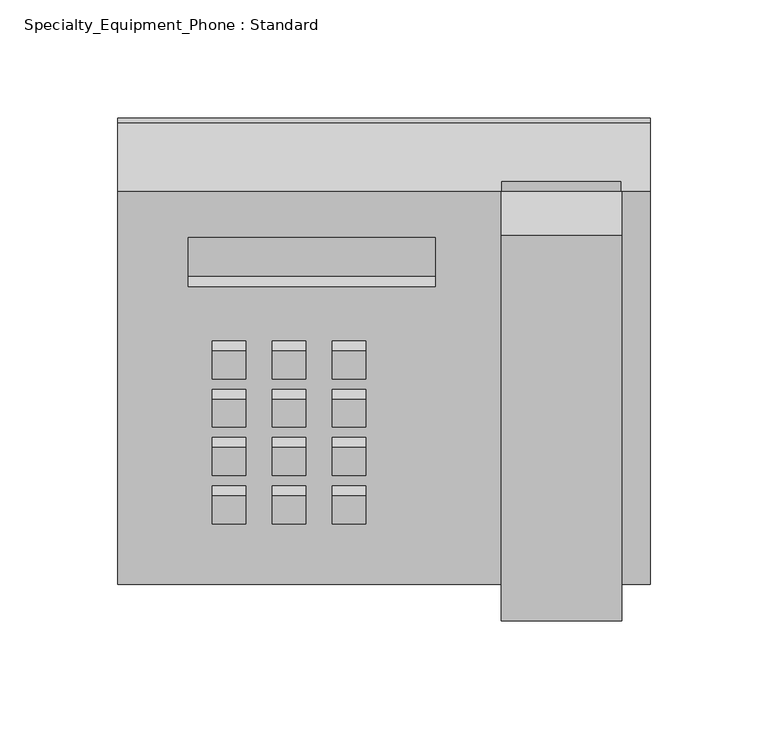
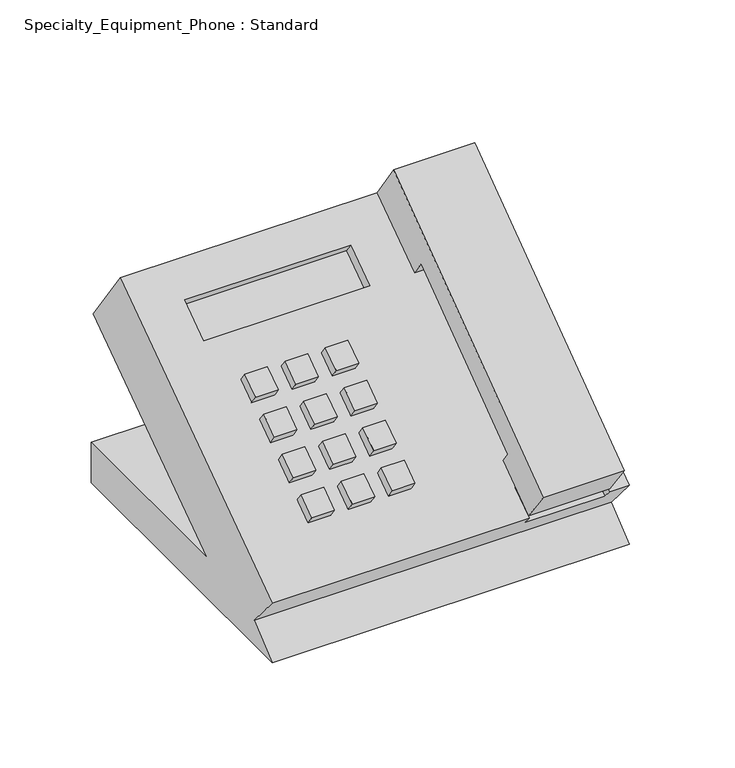
"""IFC4 building model written with IfcOpenShell, lengths in millimetres: proxy geometry, Specialty_Equipment_Phone : Standard."""

from ifc_helpers import new_model, si_unit, frame, origin, place, context, project, spatial, polyline, circle_curve, outline, extrude, source, transform, mapped, element, save
from ifc_brep_helpers import plane_surface, revolved_surface, advanced_brep


def specialty_equipment_phone_standard_6a5012c4(model_context):
    return source(origin(), model_context, "Body", "SolidModel", [
        extrude(outline(polyline([(-192.7959916, 137.7049621), (-287.6619827, 68.0708655), (-282.6423577, 61.2323808), (-310.4235365, 40.8412194), (-326.4110834, 62.6228576), (-162.9996365, 182.5655431), (-144.4445351, 156.0661206), (-185.5157661, 127.3077258), (-192.7959916, 137.7049621)])), frame((-197.7434319, 0.0, 0.0), z_axis=(1.0, 0.0, 0.0), x_axis=(0.0, 1.0, 0.0)), (0.0, 0.0, 1.0), 51.1683357),
        advanced_brep(
        [(-134.6688462, -310.896229, 0.0), (-134.6688462, -113.1456221, 0.0), (-134.6688462, -113.1456221, 27.0401443), (-134.6688462, -240.1456221, 27.0401443), (-134.6688462, -115.3068506, 114.4531932), (-134.6688462, -144.4445336, 156.0661171), (-134.6688462, -310.896229, 39.5153852), (-134.6688462, -291.4387001, 16.3268053), (-360.0938462, -310.896229, 0.0), (-360.0938462, -291.4387001, 16.3268053), (-360.0938462, -310.896229, 39.5153852), (-360.0938462, -144.4445336, 156.0661171), (-360.0938462, -115.3068506, 114.4531932), (-360.0938462, -240.1456221, 27.0401443), (-360.0938462, -113.1456221, 27.0401443), (-360.0938462, -113.1456221, 0.0), (-146.9434319, -310.896229, 39.5153852), (-146.9434319, -305.774613, 33.411681), (-197.7434319, -305.774613, 33.411681), (-197.7434319, -310.896229, 39.5153852), (-146.9434319, -144.4445336, 156.0661171), (-146.9434319, -165.2509955, 141.4972756), (-197.7434319, -165.2509955, 141.4972756), (-197.7434319, -144.4445336, 156.0661171), (-197.7434319, -295.2913825, 50.4420163), (-146.9434319, -295.2913825, 50.4420163), (-225.6135974, -163.8453353, 142.4815295), (-225.6135974, -184.6517972, 127.912688), (-330.264726, -184.6517972, 127.912688), (-330.264726, -163.8453353, 142.4815295), (-197.7434319, -139.8917706, 149.5640977), (-146.9434319, -139.8917706, 149.5640977), (-330.264726, -159.2925723, 135.9795101), (-330.264726, -180.0990342, 121.4106686), (-225.6135974, -180.0990342, 121.4106686), (-225.6135974, -159.2925723, 135.9795101), (-197.7434319, -160.6982325, 134.9952562), (-146.9434319, -160.6982325, 134.9952562), (-197.7434319, -290.7386196, 43.939997), (-146.9434319, -290.7386196, 43.939997)],
        [
            (0, 1),
            (1, 2),
            (2, 3),
            (3, 4),
            (4, 5),
            (5, 6),
            (6, 7),
            (7, 0),
            (8, 9),
            (9, 10),
            (10, 11),
            (11, 12),
            (12, 13),
            (13, 14),
            (14, 15),
            (15, 8),
            (7, 9),
            (8, 0),
            (6, 16),
            (16, 17),
            (17, 18),
            (18, 19),
            (19, 10),
            (5, 20),
            (20, 21),
            (21, 22, circle_curve(frame((-172.3434319, -165.2509955, 141.4972756), z_axis=(0.0, 0.5735764363510482, -0.8191520442889905), x_axis=(-1.0, 0.0, 0.0)), 25.4)),
            (22, 23),
            (23, 11),
            (19, 24),
            (24, 25, circle_curve(frame((-172.3434319, -301.9734201, 45.7632032), z_axis=(0.0, 0.5735764363510482, -0.8191520442889905), x_axis=(-1.0, 0.0, 0.0)), 26.6777233)),
            (25, 16),
            (26, 27),
            (27, 28),
            (28, 29),
            (29, 26),
            (4, 12),
            (23, 30),
            (30, 31),
            (31, 20),
            (3, 13),
            (2, 14),
            (1, 15),
            (32, 33),
            (33, 34),
            (34, 35),
            (35, 32),
            (35, 26),
            (29, 32),
            (34, 27),
            (33, 28),
            (30, 36),
            (36, 37, circle_curve(frame((-172.3434319, -160.6982325, 134.9952562), z_axis=(0.0, -0.5735764363510482, 0.8191520442889905), x_axis=(-1.0, 0.0, 0.0)), 25.4)),
            (37, 31),
            (37, 21),
            (36, 22),
            (38, 18),
            (17, 39),
            (39, 38, circle_curve(frame((-172.3434319, -297.4206572, 39.2611839), z_axis=(0.0, -0.5735764363510482, 0.8191520442889905), x_axis=(-1.0, 0.0, 0.0)), 26.6777233)),
            (25, 39),
            (38, 24),
        ],
        [
            plane_surface(frame((-134.6688462, -310.896229, 0.0), z_axis=(1.0, 0.0, 0.0), x_axis=(0.0, 0.7660444431189765, 0.6427876096865413))),
            plane_surface(frame((-360.0938462, -310.896229, 0.0), z_axis=(-1.0, 0.0, 0.0), x_axis=(0.0, -0.7660444431189765, -0.6427876096865413))),
            plane_surface(frame((-134.6688462, -310.896229, 0.0), z_axis=(0.0, -0.6427876096865413, 0.7660444431189765), x_axis=(-1.0, 0.0, 0.0))),
            plane_surface(frame((-134.6688462, -291.4387001, 16.3268053), z_axis=(0.0, -0.7660444431189771, -0.6427876096865404), x_axis=(-1.0, 0.0, 0.0))),
            plane_surface(frame((-134.6688462, -310.896229, 39.5153852), z_axis=(0.0, -0.5735764363510482, 0.8191520442889905), x_axis=(-1.0, 0.0, 0.0))),
            plane_surface(frame((-134.6688462, -144.4445336, 156.0661171), z_axis=(0.0, 0.8191520442889915, 0.5735764363510467), x_axis=(-1.0, 0.0, 0.0))),
            plane_surface(frame((-134.6688462, -115.3068506, 114.4531932), z_axis=(0.0, 0.57357643635105, -0.819152044288989), x_axis=(-1.0, 0.0, 0.0))),
            plane_surface(frame((-134.6688462, -240.1456221, 27.0401443), z_axis=(0.0, 0.0, 1.0), x_axis=(-1.0, 0.0, 0.0))),
            plane_surface(frame((-134.6688462, -113.1456221, 27.0401443), z_axis=(0.0, 1.0, 0.0), x_axis=(-1.0, 0.0, 0.0))),
            plane_surface(frame((-134.6688462, -113.1456221, 0.0), z_axis=(0.0, 0.0, -1.0), x_axis=(-1.0, 0.0, 0.0))),
            plane_surface(frame((-203.264726, -159.2925723, 135.9795101), z_axis=(0.0, -0.5735764363510482, 0.8191520442889905), x_axis=(-1.0, 0.0, 0.0))),
            plane_surface(frame((-330.264726, -163.8453353, 142.4815295), z_axis=(0.0, -0.8191520442889894, -0.5735764363510496), x_axis=(0.0, 0.5735764363510496, -0.8191520442889894))),
            plane_surface(frame((-225.6135974, -163.8453353, 142.4815295), z_axis=(-1.0, 0.0, 0.0), x_axis=(0.0, 0.5735764363510496, -0.8191520442889894))),
            plane_surface(frame((-225.6135974, -184.6517972, 127.912688), z_axis=(0.0, 0.8191520442889894, 0.5735764363510496), x_axis=(0.0, 0.5735764363510496, -0.8191520442889894))),
            plane_surface(frame((-330.264726, -184.6517972, 127.912688), z_axis=(1.0, 0.0, 0.0), x_axis=(0.0, 0.5735764363510496, -0.8191520442889894))),
            plane_surface(frame((-146.9434319, -139.8917706, 149.5640977), z_axis=(0.0, -0.5735764363510482, 0.8191520442889905), x_axis=(-1.0, 0.0, 0.0))),
            plane_surface(frame((-146.9434319, -144.4445336, 156.0661171), z_axis=(-1.0, 0.0, 0.0), x_axis=(0.0, 0.5735764363510482, -0.8191520442889904))),
            revolved_surface(polyline([(-197.74343190000002, -165.25099549829952, 141.4972756011907), (-197.74343190000002, -160.6982325, 134.9952562)]), (-172.3434319, -160.6982325, 134.9952562), (0.0, -0.5735764363510482, 0.8191520442889905)),
            plane_surface(frame((-197.7434319, -165.2509955, 141.4972756), z_axis=(1.0, 0.0, 0.0), x_axis=(0.0, 0.5735764363510467, -0.8191520442889914))),
            plane_surface(frame((-146.9434319, -308.4443251, 31.5423285), z_axis=(0.0, -0.5735764363510482, 0.8191520442889905), x_axis=(0.0, 0.8191520442889905, 0.5735764363510482))),
            plane_surface(frame((-146.9434319, -295.2913825, 50.4420163), z_axis=(-1.0000000000000002, 0.0, 0.0), x_axis=(0.0, 0.5735764363510492, -0.8191520442889898))),
            plane_surface(frame((-197.7434319, -312.997088, 38.0443478), z_axis=(1.0000000000000002, 0.0, 0.0), x_axis=(0.0, 0.5735764363510492, -0.8191520442889898))),
            revolved_surface(polyline([(-199.0211552, -301.97342011929885, 45.76320318836605), (-199.0211552, -297.4206572, 39.2611839)]), (-172.3434319, -297.4206572, 39.2611839), (0.0, -0.5735764363510482, 0.8191520442889905)),
        ],
        [
            (0, [[1, 2, 3, 4, 5, 6, 7, 8]]),
            (1, [[9, 10, 11, 12, 13, 14, 15, 16]]),
            (2, [[17, -9, 18, -8]]),
            (3, [[19, 20, 21, 22, 23, -10, -17, -7]]),
            (4, [[24, 25, 26, 27, 28, -11, -23, 29, 30, 31, -19, -6], [32, 33, 34, 35]]),
            (5, [[36, -12, -28, 37, 38, 39, -24, -5]]),
            (6, [[40, -13, -36, -4]]),
            (7, [[41, -14, -40, -3]]),
            (8, [[42, -15, -41, -2]]),
            (9, [[-18, -16, -42, -1]]),
            (10, [[43, 44, 45, 46]]),
            (11, [[47, -35, 48, -46]]),
            (12, [[49, -32, -47, -45]]),
            (13, [[50, -33, -49, -44]]),
            (14, [[-48, -34, -50, -43]]),
            (15, [[-38, 51, 52, 53]]),
            (16, [[54, -25, -39, -53]]),
            (17, [[55, -26, -54, -52]]),
            (18, [[-37, -27, -55, -51]]),
            (19, [[56, -21, 57, 58]]),
            (20, [[-57, -20, -31, 59]]),
            (21, [[-29, -22, -56, 60]]),
            (22, [[-59, -30, -60, -58]]),
        ],
    ),
        extrude(outline(polyline([(14.2875, 0.0), (0.0, 0.0), (0.0, 14.3927765), (14.2875, 14.3927765), (14.2875, 0.0)])), frame((-255.1016834, -268.8369681, 68.9655967), z_axis=(0.0, -0.5735764363510482, 0.8191520442889905), x_axis=(-1.0, 0.0, 0.0)), (0.0, 0.0, 1.0), 7.9375),
        extrude(outline(polyline([(39.6875, 0.0), (25.4, 0.0), (25.4, 14.3927765), (39.6875, 14.3927765), (39.6875, 0.0)])), frame((-255.1016834, -268.8369681, 68.9655967), z_axis=(0.0, -0.5735764363510482, 0.8191520442889905), x_axis=(-1.0, 0.0, 0.0)), (0.0, 0.0, 1.0), 7.9375),
        extrude(outline(polyline([(65.0875, 0.0), (50.8, 0.0), (50.8, 14.3927765), (65.0875, 14.3927765), (65.0875, 0.0)])), frame((-255.1016834, -268.8369681, 68.9655967), z_axis=(0.0, -0.5735764363510482, 0.8191520442889905), x_axis=(-1.0, 0.0, 0.0)), (0.0, 0.0, 1.0), 7.9375),
        extrude(outline(polyline([(14.2875, -25.0), (0.0, -25.0), (0.0, -10.6072235), (14.2875, -10.6072235), (14.2875, -25.0)])), frame((-255.1016834, -268.8369681, 68.9655967), z_axis=(0.0, -0.5735764363510482, 0.8191520442889905), x_axis=(-1.0, 0.0, 0.0)), (0.0, 0.0, 1.0), 7.9375),
        extrude(outline(polyline([(39.6875, -25.0), (25.4, -25.0), (25.4, -10.6072235), (39.6875, -10.6072235), (39.6875, -25.0)])), frame((-255.1016834, -268.8369681, 68.9655967), z_axis=(0.0, -0.5735764363510482, 0.8191520442889905), x_axis=(-1.0, 0.0, 0.0)), (0.0, 0.0, 1.0), 7.9375),
        extrude(outline(polyline([(65.0875, -25.0), (50.8, -25.0), (50.8, -10.6072235), (65.0875, -10.6072235), (65.0875, -25.0)])), frame((-255.1016834, -268.8369681, 68.9655967), z_axis=(0.0, -0.5735764363510482, 0.8191520442889905), x_axis=(-1.0, 0.0, 0.0)), (0.0, 0.0, 1.0), 7.9375),
        extrude(outline(polyline([(14.2875, -50.0), (0.0, -50.0), (0.0, -35.6072235), (14.2875, -35.6072235), (14.2875, -50.0)])), frame((-255.1016834, -268.8369681, 68.9655967), z_axis=(0.0, -0.5735764363510482, 0.8191520442889905), x_axis=(-1.0, 0.0, 0.0)), (0.0, 0.0, 1.0), 7.9375),
        extrude(outline(polyline([(39.6875, -50.0), (25.4, -50.0), (25.4, -35.6072235), (39.6875, -35.6072235), (39.6875, -50.0)])), frame((-255.1016834, -268.8369681, 68.9655967), z_axis=(0.0, -0.5735764363510482, 0.8191520442889905), x_axis=(-1.0, 0.0, 0.0)), (0.0, 0.0, 1.0), 7.9375),
        extrude(outline(polyline([(65.0875, -50.0), (50.8, -50.0), (50.8, -35.6072235), (65.0875, -35.6072235), (65.0875, -50.0)])), frame((-255.1016834, -268.8369681, 68.9655967), z_axis=(0.0, -0.5735764363510482, 0.8191520442889905), x_axis=(-1.0, 0.0, 0.0)), (0.0, 0.0, 1.0), 7.9375),
        extrude(outline(polyline([(14.2875, -75.0), (0.0, -75.0), (0.0, -60.6072235), (14.2875, -60.6072235), (14.2875, -75.0)])), frame((-255.1016834, -268.8369681, 68.9655967), z_axis=(0.0, -0.5735764363510482, 0.8191520442889905), x_axis=(-1.0, 0.0, 0.0)), (0.0, 0.0, 1.0), 7.9375),
        extrude(outline(polyline([(39.6875, -75.0), (25.4, -75.0), (25.4, -60.6072235), (39.6875, -60.6072235), (39.6875, -75.0)])), frame((-255.1016834, -268.8369681, 68.9655967), z_axis=(0.0, -0.5735764363510482, 0.8191520442889905), x_axis=(-1.0, 0.0, 0.0)), (0.0, 0.0, 1.0), 7.9375),
        extrude(outline(polyline([(65.0875, -75.0), (50.8, -75.0), (50.8, -60.6072235), (65.0875, -60.6072235), (65.0875, -75.0)])), frame((-255.1016834, -268.8369681, 68.9655967), z_axis=(0.0, -0.5735764363510482, 0.8191520442889905), x_axis=(-1.0, 0.0, 0.0)), (0.0, 0.0, 1.0), 7.9375),
    ])


if __name__ == "__main__":
    model = new_model("IFC4")
    model_context = context("Model", 3, world=origin())
    ifc_project = project(units=[si_unit("LENGTHUNIT", "METRE", prefix="MILLI")], contexts=[model_context])
    site = spatial("IfcSite", under=ifc_project)
    building = spatial("IfcBuilding", under=site)
    placement = place(None, origin())
    specialty_equipment_phone_standard_shape = specialty_equipment_phone_standard_6a5012c4(model_context)
    element("IfcBuildingElementProxy", 1, Name="Specialty_Equipment_Phone : Standard", ObjectType="Specialty_Equipment_Phone : Standard", at=placement, inside=building, context=model_context, shape_type="MappedRepresentation", body=[
        mapped(specialty_equipment_phone_standard_shape, transform((0.0, 0.0, 0.0), x_axis=(1.0, 0.0, 0.0), y_axis=(0.0, 1.0, 0.0), z_axis=(0.0, 0.0, 1.0))),
    ])
    save(model, "model.ifc")
